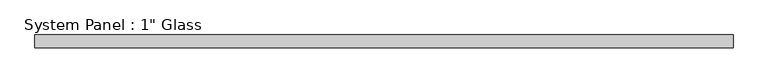
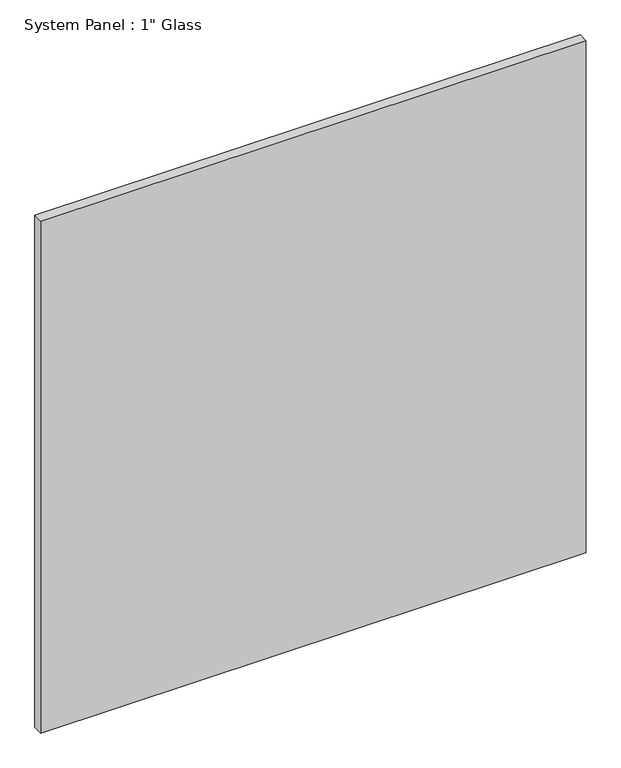
"""IFC4 building model written with IfcOpenShell, lengths in millimetres: plate geometry."""

from ifc_helpers import new_model, si_unit, origin, origin_with_axes, place, context, project, spatial, polyline, outline, extrude, source, transform, mapped, element, save


def plate_9c3bd51b(model_context):
    return source(origin(), model_context, "Body", "SweptSolid", [
        extrude(outline(polyline([(701.6767704, -12.7), (-701.6767704, -12.7), (-701.6767704, 12.7), (701.6767704, 12.7), (701.6767704, -12.7)])), origin_with_axes(), (0.0, 0.0, 1.0), 1393.1935408),
    ])


if __name__ == "__main__":
    model = new_model("IFC4")
    model_context = context("Model", 3, world=origin())
    ifc_project = project(units=[si_unit("LENGTHUNIT", "METRE", prefix="MILLI")], contexts=[model_context])
    site = spatial("IfcSite", under=ifc_project)
    building = spatial("IfcBuilding", under=site)
    placement = place(None, origin())
    plate_shape = plate_9c3bd51b(model_context)
    element("IfcPlate", 1, ObjectType="System Panel : 1\" Glass", at=placement, inside=building, context=model_context, shape_type="MappedRepresentation", body=[
        mapped(plate_shape, transform((0.0, 0.0, 0.0), x_axis=(1.0, 0.0, 0.0), y_axis=(0.0, 1.0, 0.0), z_axis=(0.0, 0.0, 1.0))),
    ])
    save(model, "model.ifc")
